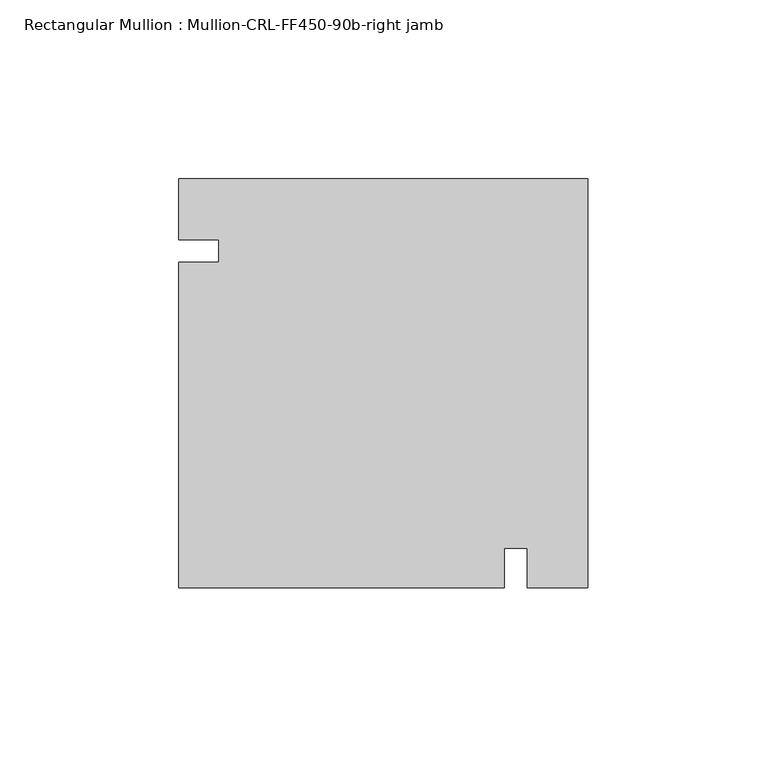
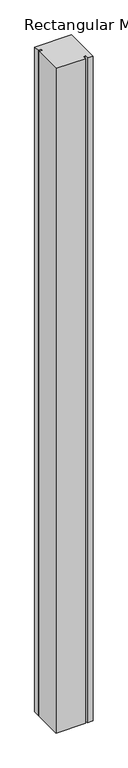
"""IFC4 building model written with IfcOpenShell, lengths in millimetres: member geometry, Rectangular Mullion : Mullion-CRL-FF450-90b-right jamb."""

from ifc_helpers import new_model, si_unit, frame, origin, place, context, project, spatial, polyline, outline, extrude, source, transform, mapped, element, save


def rectangular_mullion_mullion_crl_ff450_90b_right_jamb_a0f9b640(model_context):
    return source(origin(), model_context, "Body", "SweptSolid", [
        extrude(outline(polyline([(0.0, 20.160815), (0.0, -94.139185), (-16.9545, -94.139185), (-16.9545, -83.0266953), (-23.3045, -83.0266953), (-23.3045, -94.139185), (-114.3, -94.139185), (-114.3, -3.1555912), (-103.1875103, -3.1555912), (-103.1875103, 3.1944088), (-114.3, 3.1944088), (-114.3, 20.160815), (0.0, 20.160815)])), frame((0.0, 0.0, -2174.875), z_axis=(0.0, 0.0, 1.0), x_axis=(1.0, 0.0, 0.0)), (0.0, 0.0, 1.0), 2174.875),
    ])


if __name__ == "__main__":
    model = new_model("IFC4")
    model_context = context("Model", 3, world=origin())
    ifc_project = project(units=[si_unit("LENGTHUNIT", "METRE", prefix="MILLI")], contexts=[model_context])
    site = spatial("IfcSite", under=ifc_project)
    building = spatial("IfcBuilding", under=site)
    placement = place(None, origin())
    rectangular_mullion_mullion_crl_ff450_90b_right_jamb_shape = rectangular_mullion_mullion_crl_ff450_90b_right_jamb_a0f9b640(model_context)
    element("IfcMember", 1, ObjectType="Rectangular Mullion : Mullion-CRL-FF450-90b-right jamb", at=placement, inside=building, context=model_context, shape_type="MappedRepresentation", body=[
        mapped(rectangular_mullion_mullion_crl_ff450_90b_right_jamb_shape, transform((0.0, 0.0, 0.0), x_axis=(1.0, 0.0, 0.0), y_axis=(0.0, 1.0, 0.0), z_axis=(0.0, 0.0, 1.0))),
    ])
    save(model, "model.ifc")
